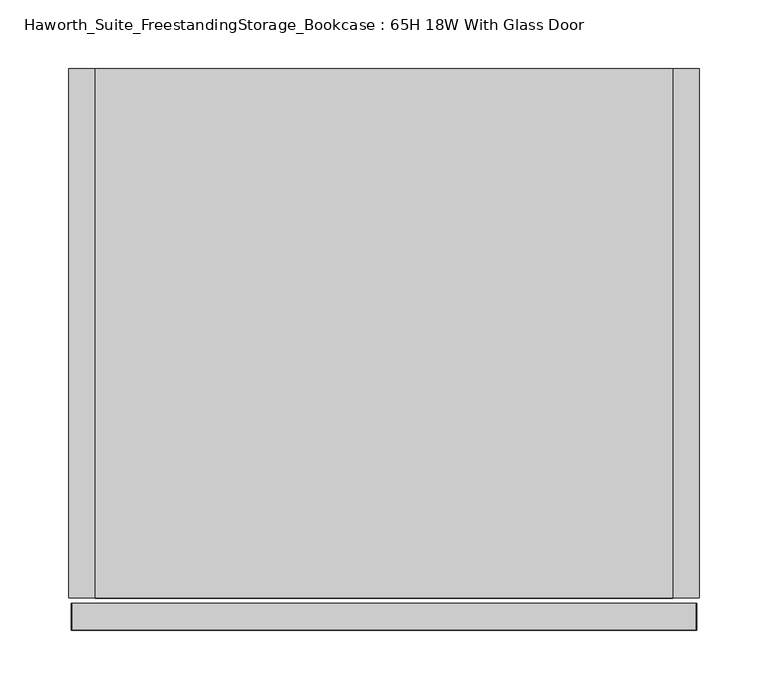
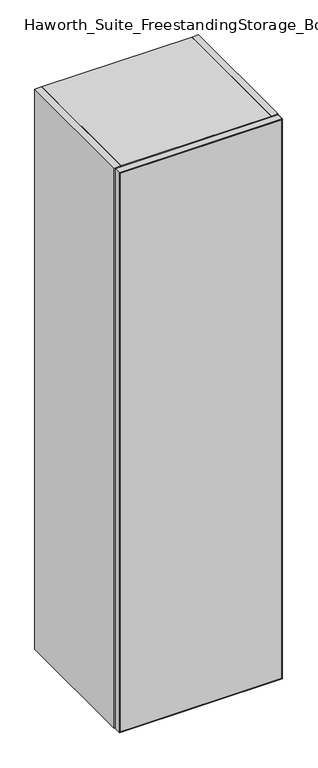
"""IFC4 building model written with IfcOpenShell, lengths in millimetres: furniture geometry, Haworth_Suite_FreestandingStorage_Bookcase : 65H 18W With Glass Door."""

from ifc_helpers import new_model, si_unit, frame, origin, origin_with_axes, place, context, project, spatial, polyline, outline, extrude, source, transform, mapped, element, save


def haworth_suite_freestandingstorage_bookcase_65h_18w_with_48b7fb56(model_context):
    return source(origin(), model_context, "Body", "SweptSolid", [
        extrude(outline(polyline([(1651.0, 214.3125), (1649.4125, 212.725), (1.5875, 212.725), (0.0, 214.3125), (1651.0, 214.3125)])), frame((0.0, -419.89375, 0.0), z_axis=(0.0, 1.0, 0.0), x_axis=(0.0, 0.0, 1.0)), (0.0, 0.0, 1.0), 19.05),
        extrude(outline(polyline([(1651.0, -239.7125), (0.0, -239.7125), (1.5875, -238.125), (1649.4125, -238.125), (1651.0, -239.7125)])), frame((0.0, -419.89375, 0.0), z_axis=(0.0, 1.0, 0.0), x_axis=(0.0, 0.0, 1.0)), (0.0, 0.0, 1.0), 19.05),
        extrude(outline(polyline([(1649.4125, 212.725), (1651.0, 214.3125), (1651.0, -239.7125), (1649.4125, -238.125), (1649.4125, 212.725)])), frame((0.0, -419.89375, 0.0), z_axis=(0.0, 1.0, 0.0), x_axis=(0.0, 0.0, 1.0)), (0.0, 0.0, 1.0), 19.05),
        extrude(outline(polyline([(1.5875, 212.725), (1.5875, -238.125), (0.0, -239.7125), (0.0, 214.3125), (1.5875, 212.725)])), frame((0.0, -419.89375, 0.0), z_axis=(0.0, 1.0, 0.0), x_axis=(0.0, 0.0, 1.0)), (0.0, 0.0, 1.0), 19.05),
        extrude(outline(polyline([(-238.125, -401.6375), (212.725, -401.6375), (212.725, -419.1), (-238.125, -419.1), (-238.125, -401.6375)])), frame((0.0, 0.0, 1.5875), z_axis=(0.0, 0.0, 1.0), x_axis=(1.0, 0.0, 0.0)), (0.0, 0.0, 1.0), 1647.825),
        extrude(outline(polyline([(196.85, -31.75), (196.85, -377.825), (-222.25, -377.825), (-222.25, -31.75), (196.85, -31.75)])), frame((0.0, 0.0, 431.8), z_axis=(0.0, 0.0, 1.0), x_axis=(1.0, 0.0, 0.0)), (0.0, 0.0, 1.0), 19.05),
        extrude(outline(polyline([(196.85, -31.75), (196.85, -377.825), (-222.25, -377.825), (-222.25, -31.75), (196.85, -31.75)])), frame((0.0, 0.0, 831.85), z_axis=(0.0, 0.0, 1.0), x_axis=(1.0, 0.0, 0.0)), (0.0, 0.0, 1.0), 19.05),
        extrude(outline(polyline([(196.85, -31.75), (196.85, -377.825), (-222.25, -377.825), (-222.25, -31.75), (196.85, -31.75)])), frame((0.0, 0.0, 1231.9), z_axis=(0.0, 0.0, 1.0), x_axis=(1.0, 0.0, 0.0)), (0.0, 0.0, 1.0), 19.05),
        extrude(outline(polyline([(196.85, -12.7), (196.85, -396.875), (-222.25, -396.875), (-222.25, -12.7), (196.85, -12.7)])), frame((0.0, 0.0, 1631.95), z_axis=(0.0, 0.0, 1.0), x_axis=(1.0, 0.0, 0.0)), (0.0, 0.0, 1.0), 19.05),
        extrude(outline(polyline([(196.85, -12.7), (196.85, -31.75), (-222.25, -31.75), (-222.25, -12.7), (196.85, -12.7)])), origin_with_axes(), (0.0, 0.0, 1.0), 1631.95),
        extrude(outline(polyline([(196.85, -31.75), (196.85, -396.875), (-222.25, -396.875), (-222.25, -31.75), (196.85, -31.75)])), origin_with_axes(), (0.0, 0.0, 1.0), 38.1),
        extrude(outline(polyline([(-222.25, -12.7), (-222.25, -396.875), (-241.3, -396.875), (-241.3, -12.7), (-222.25, -12.7)])), origin_with_axes(), (0.0, 0.0, 1.0), 1651.0),
        extrude(outline(polyline([(215.9, -396.875), (196.85, -396.875), (196.85, -12.7), (215.9, -12.7), (215.9, -396.875)])), origin_with_axes(), (0.0, 0.0, 1.0), 1651.0),
    ])


if __name__ == "__main__":
    model = new_model("IFC4")
    model_context = context("Model", 3, world=origin())
    ifc_project = project(units=[si_unit("LENGTHUNIT", "METRE", prefix="MILLI")], contexts=[model_context])
    site = spatial("IfcSite", under=ifc_project)
    building = spatial("IfcBuilding", under=site)
    placement = place(None, origin())
    haworth_suite_freestandingstorage_bookcase_65h_18w_with_shape = haworth_suite_freestandingstorage_bookcase_65h_18w_with_48b7fb56(model_context)
    element("IfcFurniture", 1, ObjectType="Haworth_Suite_FreestandingStorage_Bookcase : 65H 18W With Glass Door", at=placement, inside=building, context=model_context, shape_type="MappedRepresentation", body=[
        mapped(haworth_suite_freestandingstorage_bookcase_65h_18w_with_shape, transform((0.0, 0.0, 0.0), x_axis=(1.0, 0.0, 0.0), y_axis=(0.0, 1.0, 0.0), z_axis=(0.0, 0.0, 1.0))),
    ])
    save(model, "model.ifc")
